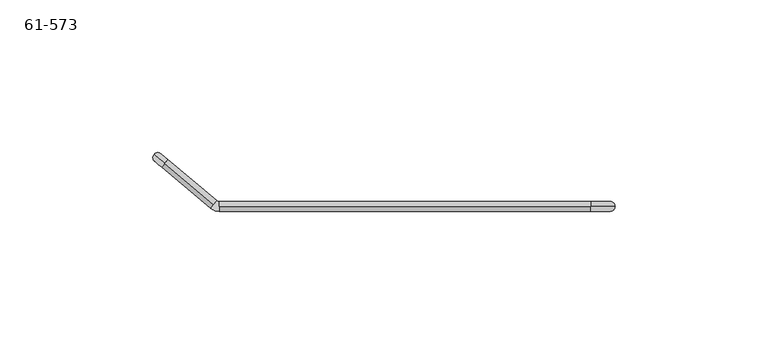
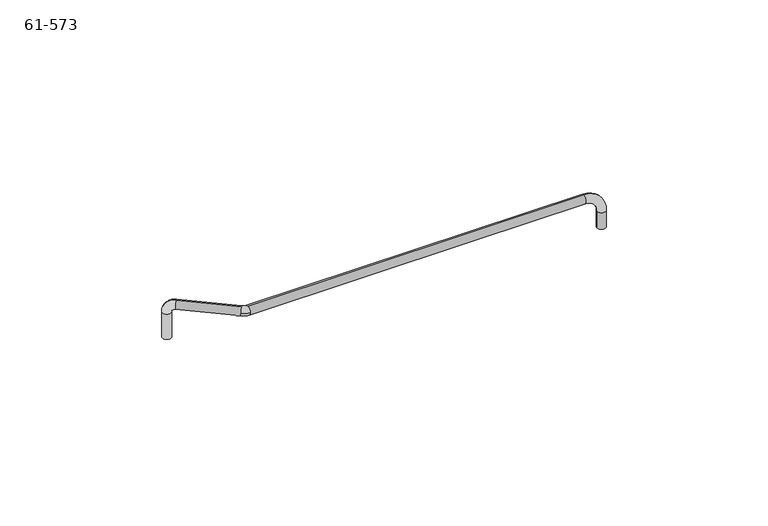
"""IFC4 building model written with IfcOpenShell, lengths in millimetres: proxy geometry, 61-573."""

import ifcopenshell
import ifcopenshell.guid

model = None  # the IFC model being written
_history = None  # IfcOwnerHistory: only IFC2X3 demands one
_inside = {}  # id of a spatial element -> (the spatial element, [elements in it])
_under = {}  # id of a project, library or spatial element -> (it, [spatial elements below it])
_declared = {}  # id of a project -> (the project, [libraries it declares])
_typed = {}  # id of a type object -> (the type object, [elements of that type])
_made_of = {}  # id of a material, layer set ... -> (it, [elements and type objects made of it])


def new_model(schema):
    """Start an empty IFC model of exactly this schema.

    Asked for "IFC4X3", IfcOpenShell would pick the latest addendum, in which some entities
    have other attributes; the version numbers below select the first issue.
    IFC2X3 requires an IfcOwnerHistory on every rooted entity: one is made here for all.
    """
    global model, _history
    if schema == "IFC4X3":
        model = ifcopenshell.file(schema_version=(4, 3, 0, 0))
    else:
        model = ifcopenshell.file(schema=schema)
    _inside.clear()
    _under.clear()
    _declared.clear()
    _typed.clear()
    _made_of.clear()
    _history = None
    if model.schema == "IFC2X3":
        org = make("IfcOrganization", Name="unknown")
        user = make(
            "IfcPersonAndOrganization",
            ThePerson=make("IfcPerson", FamilyName="unknown"),
            TheOrganization=org,
        )
        app = make(
            "IfcApplication",
            ApplicationDeveloper=org,
            Version="unknown",
            ApplicationFullName="unknown",
            ApplicationIdentifier="unknown",
        )
        _history = make(
            "IfcOwnerHistory",
            OwningUser=user,
            OwningApplication=app,
            ChangeAction="ADDED",
            CreationDate=0,
        )
    return model


def make(cls, **values):
    """One entity of the class cls with the attributes given. An attribute that is None is left unset."""
    return model.create_entity(
        cls, **{name: value for name, value in values.items() if value is not None}
    )


def rooted(cls, **values):
    """An entity with a GlobalId (a new one), such as an element, a storey or a relation."""
    return make(cls, GlobalId=ifcopenshell.guid.new(), OwnerHistory=_history, **values)


def si_unit(unit_type, name, prefix=None):
    """IfcSIUnit, for example si_unit("LENGTHUNIT", "METRE", prefix="MILLI")."""
    return make("IfcSIUnit", UnitType=unit_type, Prefix=prefix, Name=name)


def assignment(units):
    """IfcUnitAssignment: the units of a project."""
    return None if units is None else make("IfcUnitAssignment", Units=units)


def point(xyz):
    """IfcCartesianPoint."""
    return None if xyz is None else make("IfcCartesianPoint", Coordinates=xyz)


def direction(xyz):
    """IfcDirection."""
    return None if xyz is None else make("IfcDirection", DirectionRatios=xyz)


def frame(location, z_axis=None, x_axis=None):
    """IfcAxis2Placement3D, a coordinate frame: its origin and axes. An axis left out is left unset."""
    return make(
        "IfcAxis2Placement3D",
        Location=point(location),
        Axis=direction(z_axis),
        RefDirection=direction(x_axis),
    )


def origin():
    """The frame at (0, 0, 0) with its axes left unset."""
    return frame((0.0, 0.0, 0.0))


def place(relative_to, where):
    """IfcLocalPlacement: puts the frame where relative to a parent placement (None: the world)."""
    return make(
        "IfcLocalPlacement", PlacementRelTo=relative_to, RelativePlacement=where
    )


def context(
    kind, dimensions, precision=None, world=None, true_north=None, identifier=None
):
    """IfcGeometricRepresentationContext, for example the 3D "Model" context."""
    return make(
        "IfcGeometricRepresentationContext",
        ContextIdentifier=identifier,
        ContextType=kind,
        CoordinateSpaceDimension=dimensions,
        Precision=precision,
        WorldCoordinateSystem=world,
        TrueNorth=true_north,
    )


def project(units=None, contexts=None):
    """IfcProject with its units and contexts."""
    return rooted(
        "IfcProject",
        Name="project",
        RepresentationContexts=contexts,
        UnitsInContext=assignment(units),
    )


def spatial(cls, under=None, at=None, **own):
    """A site, building, storey or space (cls), placed at a placement, below another one or the project."""
    s = rooted(cls, ObjectPlacement=at, **own)
    if under is not None:
        _under.setdefault(under.id(), (under, []))[1].append(s)
    return s


def circle_curve(where, radius):
    """IfcCircle in the frame where."""
    return make("IfcCircle", Position=where, Radius=radius)


def ellipse_curve(where, semi_axis1, semi_axis2):
    """IfcEllipse in the frame where."""
    return make(
        "IfcEllipse", Position=where, SemiAxis1=semi_axis1, SemiAxis2=semi_axis2
    )


def trimmed(basis, trim1, trim2, sense, master):
    """IfcTrimmedCurve: the piece of a basis curve between two trims."""
    return make(
        "IfcTrimmedCurve",
        BasisCurve=basis,
        Trim1=trim1,
        Trim2=trim2,
        SenseAgreement=sense,
        MasterRepresentation=master,
    )


def shape(context_of_items, identifier, shape_type, items):
    """IfcShapeRepresentation: the items that make up one representation, for example the "Body"."""
    return make(
        "IfcShapeRepresentation",
        ContextOfItems=context_of_items,
        RepresentationIdentifier=identifier,
        RepresentationType=shape_type,
        Items=items,
    )


def source(mapping_origin, context_of_items, identifier, shape_type, items):
    """IfcRepresentationMap: a shape defined once, which mapped items show again and again."""
    return make(
        "IfcRepresentationMap",
        MappingOrigin=mapping_origin,
        MappedRepresentation=shape(context_of_items, identifier, shape_type, items),
    )


def transform(
    local_origin,
    x_axis=None,
    y_axis=None,
    z_axis=None,
    scale=None,
    scale2=None,
    scale3=None,
    uniform=True,
):
    """IfcCartesianTransformationOperator3D, or its non-uniform kind. x_axis, y_axis, z_axis: its Axis1, 2, 3."""
    if uniform:
        return make(
            "IfcCartesianTransformationOperator3D",
            Axis1=direction(x_axis),
            Axis2=direction(y_axis),
            LocalOrigin=point(local_origin),
            Scale=scale,
            Axis3=direction(z_axis),
        )
    return make(
        "IfcCartesianTransformationOperator3DnonUniform",
        Axis1=direction(x_axis),
        Axis2=direction(y_axis),
        LocalOrigin=point(local_origin),
        Scale=scale,
        Axis3=direction(z_axis),
        Scale2=scale2,
        Scale3=scale3,
    )


def mapped(mapping_source, mapping_target):
    """IfcMappedItem: shows the shape of a source again, moved by a transform."""
    return make(
        "IfcMappedItem", MappingSource=mapping_source, MappingTarget=mapping_target
    )


def made_of(thing, what):
    """Note that an element or type object is made of a material, layer set ...; save() writes the relation."""
    if what is not None:
        _made_of.setdefault(what.id(), (what, []))[1].append(thing)
    return thing


def element(
    cls,
    number,
    at=None,
    inside=None,
    cuts=None,
    type_object=None,
    material=None,
    context=None,
    identifier="Body",
    shape_type=None,
    held_by="IfcProductDefinitionShape",
    body=None,
    shapes=None,
    **own,
):
    """One element of the class cls, such as IfcWall. Its Tag is "e" and its number.

    at: its placement. inside: the storey or other place that contains it. cuts: it is an
    opening in that element (IfcRelVoidsElement). A single representation is given by context,
    identifier, shape_type and body (its items); several are given by shapes. held_by: the class
    of the entity that holds the representations. save() writes the other relations.
    """
    e = rooted(cls, Tag="e%d" % number, ObjectPlacement=at, **own)
    if body is not None:
        shapes = [shape(context, identifier, shape_type, body)]
    if shapes is not None:
        e.Representation = make(held_by, Representations=shapes)
    if inside is not None:
        _inside.setdefault(inside.id(), (inside, []))[1].append(e)
    if cuts is not None:
        rooted(
            "IfcRelVoidsElement", RelatingBuildingElement=cuts, RelatedOpeningElement=e
        )
    if type_object is not None:
        _typed.setdefault(type_object.id(), (type_object, []))[1].append(e)
    return made_of(e, material)


def aggregate(whole, parts):
    """IfcRelAggregates: a whole, such as a stair, and the parts it consists of."""
    return rooted("IfcRelAggregates", RelatingObject=whole, RelatedObjects=parts)


def save(model, path):
    """Write the relations noted so far, then the file.

    IfcRelAggregates (storeys below a building ...), IfcRelContainedInSpatialStructure (elements
    in a storey), IfcRelDefinesByType, IfcRelAssociatesMaterial and IfcRelDeclares: one each for
    every whole, place, type object, material and project.
    """
    for whole, parts in _under.values():
        aggregate(whole, parts)
    for where, things in _inside.values():
        rooted(
            "IfcRelContainedInSpatialStructure",
            RelatedElements=things,
            RelatingStructure=where,
        )
    for kind, things in _typed.values():
        rooted("IfcRelDefinesByType", RelatedObjects=things, RelatingType=kind)
    for what, things in _made_of.values():
        rooted("IfcRelAssociatesMaterial", RelatedObjects=things, RelatingMaterial=what)
    for by, libraries in _declared.values():
        rooted("IfcRelDeclares", RelatingContext=by, RelatedDefinitions=libraries)
    model.write(path)


def plane_surface(at):
    """IfcPlane: the flat surface through the origin of the frame at, square to its z axis."""
    return make("IfcPlane", Position=at)


def cylinder_surface(at, radius):
    """IfcCylindricalSurface: all points at the distance radius from the z axis of the frame at."""
    return make("IfcCylindricalSurface", Position=at, Radius=radius)


def revolved_surface(curve, axis_point, axis_direction):
    """IfcSurfaceOfRevolution: the curve turned about the line through axis_point along axis_direction."""
    return make(
        "IfcSurfaceOfRevolution",
        SweptCurve=make("IfcArbitraryOpenProfileDef", ProfileType="CURVE", Curve=curve),
        AxisPosition=make("IfcAxis1Placement", Location=point(axis_point), Axis=direction(axis_direction)),
    )


def advanced_brep(points, edges, surfaces, faces):
    """IfcAdvancedBrep: a solid bounded by faces that lie on surfaces and meet in shared edges.

    An edge is (start, end): straight between two places in points (the first is 0);
    or (start, end, curve); or (start, end, curve, False) where it runs against its curve.
    A face is (place in surfaces, loops), or (place, loops, False) where it looks against
    its surface's normal. A loop lists edges by number (the first is 1), with a minus sign
    where the edge is run from its end to its start. The first loop is the outer one.
    """
    corners = [point(p) for p in points]
    vertices = [make("IfcVertexPoint", VertexGeometry=c) for c in corners]
    made = []
    for start, end, *more in edges:
        made.append(
            make(
                "IfcEdgeCurve",
                EdgeStart=vertices[start],
                EdgeEnd=vertices[end],
                EdgeGeometry=more[0] if more else make("IfcPolyline", Points=[corners[start], corners[end]]),
                SameSense=more[1] if len(more) > 1 else True,
            )
        )
    hull = []
    for where, loops, *sense in faces:
        bounds = []
        for j, loop in enumerate(loops):
            ring = [make("IfcOrientedEdge", EdgeElement=made[abs(k) - 1], Orientation=k > 0) for k in loop]
            bounds.append(
                make(
                    "IfcFaceOuterBound" if j == 0 else "IfcFaceBound",
                    Bound=make("IfcEdgeLoop", EdgeList=ring),
                    Orientation=True,
                )
            )
        hull.append(make("IfcAdvancedFace", Bounds=bounds, FaceSurface=surfaces[where], SameSense=sense[0] if sense else True))
    return make("IfcAdvancedBrep", Outer=make("IfcClosedShell", CfsFaces=hull))


def proxy_61_573_50ccdccf(model_context):
    return source(origin(), model_context, "Body", "AdvancedBrep", [
        advanced_brep(
        [(-130.4671, 0.0, -12.7), (-130.4671, 0.0, -6.35), (-127.2921, 0.0, -6.35), (-127.2921, 0.0, -12.7), (-135.2296, 0.0, 1.5875), (-135.2296, 0.0, -1.5875), (-256.6672893, 0.0, -1.5875), (-256.6672893, 1.5875, 0.0), (-256.6672893, 0.0, 1.5875), (-256.6672893, -1.5875, 0.0), (-259.6160775, -0.5142289, 0.0), (-258.5956521, 0.7018667, -1.5875), (-257.5752268, 1.9179622, 0.0), (-274.5099874, 14.0555795, -1.5875), (-274.5099874, 14.0555795, 1.5875), (-258.5956521, 0.7018667, 1.5875), (-278.0242163, 17.0043677, -3.0), (-275.5920252, 14.963517, -3.0), (-275.5920252, 14.963517, -12.7), (-278.0242163, 17.0043677, -12.7)],
        [
            (0, 1),
            (1, 2, circle_curve(frame((-128.8796, 0.0, -6.35), z_axis=(0.0, 0.0, -1.0), x_axis=(-1.0, 0.0, 0.0)), 1.5875)),
            (2, 3),
            (3, 0, circle_curve(frame((-128.8796, 0.0, -12.7), z_axis=(0.0, 0.0, 1.0), x_axis=(-1.0, 0.0, 0.0)), 1.5875)),
            (2, 4, circle_curve(frame((-135.2296, 0.0, -6.35), z_axis=(0.0, -1.0, 0.0), x_axis=(1.0, 0.0, 0.0)), 7.9375)),
            (4, 5, circle_curve(frame((-135.2296, 0.0, 0.0), z_axis=(1.0, 0.0, 0.0), x_axis=(0.0, 0.0, 1.0)), 1.5875)),
            (5, 1, circle_curve(frame((-135.2296, 0.0, -6.35), z_axis=(0.0, 1.0, 0.0), x_axis=(1.0, 0.0, 0.0)), 4.7625)),
            (1, 2, circle_curve(frame((-128.8796, 0.0, -6.35), z_axis=(0.0, 0.0, 1.0), x_axis=(1.0, 0.0, 0.0)), 1.5875)),
            (5, 6),
            (6, 7, circle_curve(frame((-256.6672893, 0.0, 0.0), z_axis=(1.0, 0.0, 0.0), x_axis=(0.0, 0.0, -1.0)), 1.5875)),
            (7, 8, circle_curve(frame((-256.6672893, 0.0, 0.0), z_axis=(1.0, 0.0, 0.0), x_axis=(0.0, 0.0, -1.0)), 1.5875)),
            (8, 4),
            (4, 5, circle_curve(frame((-135.2296, 0.0, 0.0), z_axis=(-1.0, 0.0, 0.0), x_axis=(0.0, 0.0, -1.0)), 1.5875)),
            (9, 10, circle_curve(frame((-256.6672893, 3.0, 0.0), z_axis=(0.0, 0.0, -1.0), x_axis=(0.0, -1.0, 0.0)), 4.5875)),
            (10, 11, circle_curve(frame((-258.5956521, 0.7018667, 0.0), z_axis=(0.7660444431189798, -0.6427876096865371, 0.0), x_axis=(-0.6427876096865371, -0.7660444431189798, 0.0)), 1.5875)),
            (11, 12, circle_curve(frame((-258.5956521, 0.7018667, 0.0), z_axis=(0.7660444431189832, -0.6427876096865331, 0.0), x_axis=(-0.6427876096865331, -0.7660444431189832, 0.0)), 1.5875)),
            (12, 7, circle_curve(frame((-256.6672893, 3.0, 0.0), z_axis=(0.0, 0.0, 1.0), x_axis=(0.0, -1.0, 0.0)), 1.4125)),
            (6, 9, circle_curve(frame((-256.6672893, 0.0, 0.0), z_axis=(-1.0, 0.0, 0.0), x_axis=(0.0, -1.0, 0.0)), 1.5875)),
            (11, 13),
            (13, 14, circle_curve(frame((-274.5099874, 14.0555795, 0.0), z_axis=(0.7660444431189779, -0.6427876096865396, 0.0), x_axis=(0.0, 0.0, -1.0)), 1.5875)),
            (14, 15),
            (15, 12, circle_curve(frame((-258.5956521, 0.7018667, 0.0), z_axis=(-0.7660444431189779, 0.6427876096865396, 0.0), x_axis=(0.0, 0.0, -1.0)), 1.5875)),
            (14, 16, circle_curve(frame((-274.5099874, 14.0555795, -3.0), z_axis=(-0.6427876096865376, -0.7660444431189797, 0.0), x_axis=(0.0, 0.0, 1.0)), 4.5875)),
            (16, 17, circle_curve(frame((-276.8081207, 15.9839424, -3.0), z_axis=(0.0, 0.0, 1.0), x_axis=(-0.7660444431189788, 0.6427876096865387, 0.0)), 1.5875)),
            (17, 13, circle_curve(frame((-274.5099874, 14.0555795, -3.0), z_axis=(0.6427876096865376, 0.7660444431189797, 0.0), x_axis=(0.0, 0.0, 1.0)), 1.4125)),
            (13, 14, circle_curve(frame((-274.5099874, 14.0555795, 0.0), z_axis=(-0.7660444431189797, 0.6427876096865376, 0.0), x_axis=(0.0, 0.0, 1.0)), 1.5875)),
            (17, 18),
            (18, 19, circle_curve(frame((-276.8081207, 15.9839424, -12.7), z_axis=(0.0, 0.0, 1.0), x_axis=(0.7660444431189796, -0.6427876096865376, 0.0)), 1.5875)),
            (19, 16),
            (16, 17, circle_curve(frame((-276.8081207, 15.9839424, -3.0), z_axis=(0.0, 0.0, -1.0), x_axis=(0.7660444431189796, -0.6427876096865376, 0.0)), 1.5875)),
            (19, 18, circle_curve(frame((-276.8081207, 15.9839424, -12.7), z_axis=(0.0, 0.0, 1.0), x_axis=(0.7660444431189796, -0.6427876096865376, 0.0)), 1.5875)),
            (10, 15, circle_curve(frame((-258.5956521, 0.7018667, 0.0), z_axis=(-0.7660444431189779, 0.6427876096865396, 0.0), x_axis=(0.0, 0.0, -1.0)), 1.5875)),
            (9, 8, circle_curve(frame((-256.6672893, 0.0, 0.0), z_axis=(-1.0, 0.0, 0.0), x_axis=(0.0, -1.0, 0.0)), 1.5875)),
            (0, 3, circle_curve(frame((-128.8796, 0.0, -12.7), z_axis=(0.0, 0.0, 1.0), x_axis=(-1.0, 0.0, 0.0)), 1.5875)),
        ],
        [
            cylinder_surface(frame((-128.8796, 0.0, -12.7), z_axis=(0.0, 0.0, 1.0), x_axis=(-1.0, 0.0, 0.0)), 1.5875),
            revolved_surface(trimmed(ellipse_curve(frame((-128.8796, 0.0, -6.35), z_axis=(0.0, 0.0, -1.0), x_axis=(1.0, 0.0, 0.0)), 1.5875, 1.5875), [point((-127.2921, 0.0, -6.35))], [point((-130.4671, 0.0, -6.35))], True, "CARTESIAN"), (-135.2296, 0.0, -6.35), (0.0, -1.0, 0.0)),
            cylinder_surface(frame((-135.2296, 0.0, 0.0), z_axis=(-1.0, 0.0, 0.0), x_axis=(0.0, 0.0, -1.0)), 1.5875),
            revolved_surface(trimmed(ellipse_curve(frame((-256.6672893, 0.0, 0.0), z_axis=(1.0, 0.0, 0.0), x_axis=(0.0, -1.0, 0.0)), 1.5875, 1.5875), [point((-256.6672893, -1.5875, 0.0))], [point((-256.6672893, 1.5875, 0.0))], True, "CARTESIAN"), (-256.6672893, 3.0, 0.0), (0.0, 0.0, -1.0)),
            cylinder_surface(frame((-258.5956521, 0.7018667, 0.0), z_axis=(-0.7660444431189779, 0.6427876096865396, 0.0), x_axis=(0.0, 0.0, -1.0)), 1.5875),
            revolved_surface(trimmed(ellipse_curve(frame((-274.5099874, 14.0555795, 0.0), z_axis=(0.7660444431189797, -0.6427876096865376, 0.0), x_axis=(0.0, 0.0, 1.0)), 1.5875, 1.5875), [point((-274.5099874, 14.0555795, 1.5875))], [point((-274.5099874, 14.0555795, -1.5875))], True, "CARTESIAN"), (-274.5099874, 14.0555795, -3.0), (-0.6427876096865376, -0.7660444431189797, 0.0)),
            cylinder_surface(frame((-276.8081207, 15.9839424, -3.0), z_axis=(0.0, 0.0, -1.0), x_axis=(0.7660444431189796, -0.6427876096865376, 0.0)), 1.5875),
            revolved_surface(trimmed(ellipse_curve(frame((-274.5099874, 14.0555795, 0.0), z_axis=(0.7660444431189797, -0.6427876096865376, 0.0), x_axis=(0.0, 0.0, 1.0)), 1.5875, 1.5875), [point((-274.5099874, 14.0555795, -1.5875))], [point((-274.5099874, 14.0555795, 1.5875))], True, "CARTESIAN"), (-274.5099874, 14.0555795, -3.0), (-0.6427876096865376, -0.7660444431189797, 0.0)),
            revolved_surface(trimmed(ellipse_curve(frame((-256.6672893, 0.0, 0.0), z_axis=(1.0, 0.0, 0.0), x_axis=(0.0, -1.0, 0.0)), 1.5875, 1.5875), [point((-256.6672893, 1.5875, 0.0))], [point((-256.6672893, -1.5875, 0.0))], True, "CARTESIAN"), (-256.6672893, 3.0, 0.0), (0.0, 0.0, -1.0)),
            revolved_surface(trimmed(ellipse_curve(frame((-128.8796, 0.0, -6.35), z_axis=(0.0, 0.0, -1.0), x_axis=(1.0, 0.0, 0.0)), 1.5875, 1.5875), [point((-130.4671, 0.0, -6.35))], [point((-127.2921, 0.0, -6.35))], True, "CARTESIAN"), (-135.2296, 0.0, -6.35), (0.0, -1.0, 0.0)),
            plane_surface(frame((-276.8081207, 15.9839424, -12.7), z_axis=(0.0, 0.0, -1.0), x_axis=(0.7660444431189796, -0.6427876096865375, 0.0))),
            plane_surface(frame((-128.8796, 0.0, -12.7), z_axis=(0.0, 0.0, -1.0), x_axis=(-1.0, 0.0, 0.0))),
        ],
        [
            (0, [[1, 2, 3, 4]]),
            (1, [[5, 6, 7, 8]]),
            (2, [[9, 10, 11, 12, 13]]),
            (3, [[14, 15, 16, 17, -10, 18]]),
            (4, [[19, 20, 21, 22, -16]]),
            (5, [[23, 24, 25, 26]]),
            (6, [[27, 28, 29, 30]]),
            (6, [[-27, -24, -29, 31]]),
            (7, [[-23, -20, -25, -30]]),
            (4, [[-19, -15, 32, -21, -26]]),
            (8, [[-14, 33, -11, -17, -22, -32]]),
            (2, [[-9, -6, -12, -33, -18]]),
            (9, [[-5, -2, -7, -13]]),
            (0, [[-1, 34, -3, -8]]),
            (10, [[-31, -28]]),
            (11, [[-4, -34]]),
        ],
    ),
    ])


if __name__ == "__main__":
    model = new_model("IFC4")
    model_context = context("Model", 3, world=origin())
    ifc_project = project(units=[si_unit("LENGTHUNIT", "METRE", prefix="MILLI")], contexts=[model_context])
    site = spatial("IfcSite", under=ifc_project)
    building = spatial("IfcBuilding", under=site)
    placement = place(None, origin())
    proxy_61_573_shape = proxy_61_573_50ccdccf(model_context)
    element("IfcBuildingElementProxy", 1, Name="61-573", ObjectType="61-573", at=placement, inside=building, context=model_context, shape_type="MappedRepresentation", body=[
        mapped(proxy_61_573_shape, transform((0.0, 0.0, 0.0), x_axis=(1.0, 0.0, 0.0), y_axis=(0.0, 1.0, 0.0), z_axis=(0.0, 0.0, 1.0))),
    ])
    save(model, "model.ifc")
